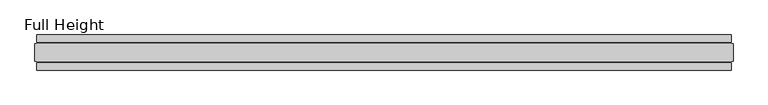
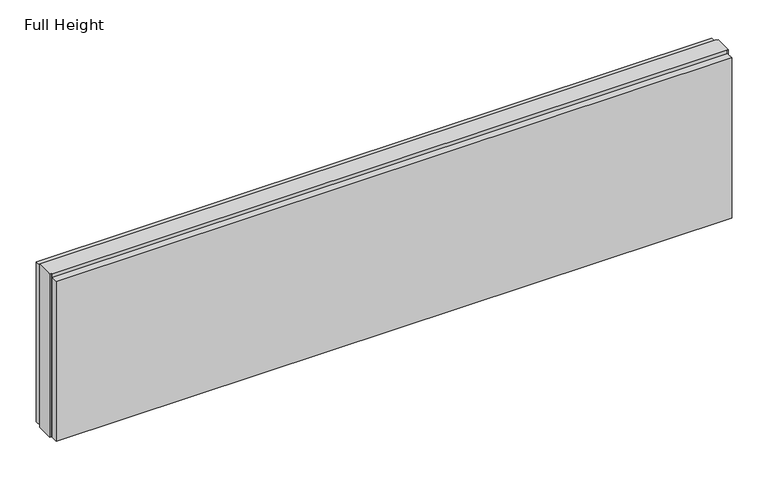
"""IFC4 building model written with IfcOpenShell, lengths in millimetres: plate geometry, Full Height."""

from ifc_helpers import new_model, si_unit, origin, origin_with_axes, place, context, project, spatial, polyline, outline, extrude, source, transform, mapped, element, save


def full_height_6119323a(model_context):
    return source(origin(), model_context, "Body", "SweptSolid", [
        extrude(outline(polyline([(980.8027254, 28.956), (-980.8027254, 28.956), (-980.8027254, 49.53), (980.8027254, 49.53), (980.8027254, 28.956)])), origin_with_axes(), (0.0, 0.0, 1.0), 492.252),
        extrude(outline(polyline([(980.8027254, -28.956), (980.8027254, -49.53), (-980.8027254, -49.53), (-980.8027254, -28.956), (980.8027254, -28.956)])), origin_with_axes(), (0.0, 0.0, 1.0), 492.252),
        extrude(outline(polyline([(980.8027254, -25.146), (980.8027254, -26.67), (-980.8027254, -26.67), (-980.8027254, -25.146), (-985.3747254, -25.146), (-985.3747254, 25.146), (-980.8027254, 25.146), (-980.8027254, 26.67), (980.8027254, 26.67), (980.8027254, 25.146), (985.3747254, 25.146), (985.3747254, -25.146), (980.8027254, -25.146)])), origin_with_axes(), (0.0, 0.0, 1.0), 501.396),
    ])


if __name__ == "__main__":
    model = new_model("IFC4")
    model_context = context("Model", 3, world=origin())
    ifc_project = project(units=[si_unit("LENGTHUNIT", "METRE", prefix="MILLI")], contexts=[model_context])
    site = spatial("IfcSite", under=ifc_project)
    building = spatial("IfcBuilding", under=site)
    placement = place(None, origin())
    full_height_shape = full_height_6119323a(model_context)
    element("IfcPlate", 1, ObjectType="Full Height", at=placement, inside=building, context=model_context, shape_type="MappedRepresentation", body=[
        mapped(full_height_shape, transform((0.0, 0.0, 0.0), x_axis=(1.0, 0.0, 0.0), y_axis=(0.0, 1.0, 0.0), z_axis=(0.0, 0.0, 1.0))),
    ])
    save(model, "model.ifc")
